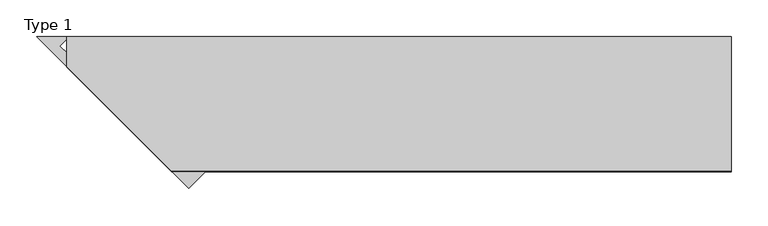
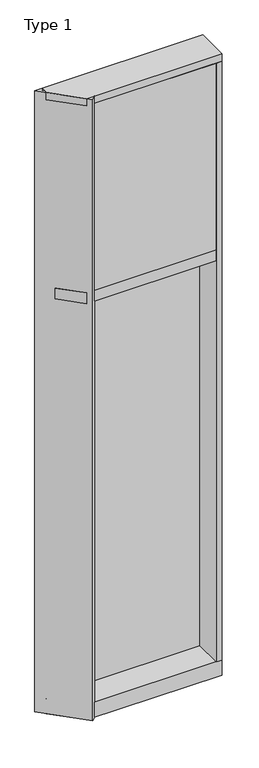
"""IFC4 building model written with IfcOpenShell, lengths in millimetres: plate geometry, Type 1."""

from ifc_helpers import new_model, si_unit, frame, origin, place, context, project, spatial, polyline, outline, extrude, faceted_brep, source, transform, mapped, element, save


def type_1_caab74bc(model_context):
    return source(origin(), model_context, "Body", "SolidModel", [
        extrude(outline(polyline([(418.9070941, -48.6409999), (418.9070941, -156.32684), (-262.5791649, -156.32684), (-370.265005, -48.6409999), (418.9070941, -48.6409999)])), frame((0.0, 0.0, 2470.15), z_axis=(0.0, 0.0, 1.0), x_axis=(1.0, 0.0, 0.0)), (0.0, 0.0, 1.0), 1104.9984372),
        extrude(outline(polyline([(450.6560049, 27.6881517), (450.6560049, 11.2982336), (437.9570941, 11.2982336), (437.9570941, 27.6881517), (450.6560049, 27.6881517)])), frame((0.0, 0.0, 2444.75), z_axis=(0.0, 0.0, 1.0), x_axis=(1.0, 0.0, 0.0)), (0.0, 0.0, 1.0), 1149.35),
        extrude(outline(polyline([(-437.9570941, 27.6881517), (-437.9570941, 11.2982336), (-450.6560049, 11.2982336), (-450.6560049, 27.6881517), (-437.9570941, 27.6881517)])), frame((0.0, 0.0, 2444.75), z_axis=(0.0, 0.0, 1.0), x_axis=(1.0, 0.0, 0.0)), (0.0, 0.0, 1.0), 1149.35),
        extrude(outline(polyline([(437.9570941, 27.686), (437.9570941, 2.286), (-437.9570941, 2.286), (-437.9570941, 27.686), (437.9570941, 27.686)])), frame((0.0, 0.0, 2444.75), z_axis=(0.0, 0.0, 1.0), x_axis=(1.0, 0.0, 0.0)), (0.0, 0.0, 1.0), 1149.35),
        extrude(outline(polyline([(450.6560049, 27.6881517), (450.6560049, 11.2982336), (437.9570941, 11.2982336), (437.9570941, 27.6881517), (450.6560049, 27.6881517)])), frame((0.0, 0.0, 6.35), z_axis=(0.0, 0.0, 1.0), x_axis=(1.0, 0.0, 0.0)), (0.0, 0.0, 1.0), 2425.7),
        extrude(outline(polyline([(-437.9570941, 27.6881517), (-437.9570941, 11.2982336), (-450.6560049, 11.2982336), (-450.6560049, 27.6881517), (-437.9570941, 27.6881517)])), frame((0.0, 0.0, 6.35), z_axis=(0.0, 0.0, 1.0), x_axis=(1.0, 0.0, 0.0)), (0.0, 0.0, 1.0), 2425.7),
        extrude(outline(polyline([(437.9570941, 27.686), (437.9570941, 2.286), (-437.9570941, 2.286), (-437.9570941, 27.686), (437.9570941, 27.686)])), frame((0.0, 0.0, 6.35), z_axis=(0.0, 0.0, 1.0), x_axis=(1.0, 0.0, 0.0)), (0.0, 0.0, 1.0), 2425.7),
        extrude(outline(polyline([(450.6560049, 27.686), (450.6560049, 6.35), (-450.6560049, 6.35), (-450.6560049, 27.686), (450.6560049, 27.686)])), frame((0.0, 0.0, 2432.05), z_axis=(0.0, 0.0, 1.0), x_axis=(1.0, 0.0, 0.0)), (0.0, 0.0, 1.0), 12.7),
        extrude(outline(polyline([(450.6560049, -155.9814), (418.9060049, -155.9814), (418.9060049, 2.286), (450.6560049, 2.286), (450.6560049, -155.9814)])), frame((0.0, 0.0, 31.75), z_axis=(0.0, 0.0, 1.0), x_axis=(1.0, 0.0, 0.0)), (0.0, 0.0, 1.0), 3543.3),
        extrude(outline(polyline([(418.9060049, 2.2859999), (418.9060049, -155.4734), (-308.3349747, -155.4734), (-418.9060049, -44.9023698), (-418.9060049, 2.2859999), (418.9060049, 2.2859999)])), frame((0.0, 0.0, 2406.65), z_axis=(0.0, 0.0, 1.0), x_axis=(1.0, 0.0, 0.0)), (0.0, 0.0, 1.0), 63.5),
        faceted_brep([(-450.6560049, 27.686, 3619.5), (-450.6560049, 27.686, 3601.4527933), (-450.6560049, 2.286, 3601.4527933), (-450.6560049, 2.286, 3575.6866239), (-450.6560049, -13.1523698, 3575.6866239), (-450.6560049, -13.1523698, 3619.5), (450.6560049, 27.686, 3619.5), (450.6560049, -155.4081413, 3619.5), (450.6560049, -155.6003929, 3575.6866239), (450.6560049, 2.286, 3575.6866239), (450.6560049, 2.286, 3601.4527933), (450.6560049, 27.686, 3601.4527933), (-308.2079818, -155.6003929, 3575.6866239), (-308.4002334, -155.4081413, 3619.5)], [[[0, 1, 2, 3, 4, 5]], [[6, 7, 8, 9, 10, 11]], [[1, 0, 6, 11]], [[2, 1, 11, 10]], [[3, 2, 10, 9]], [[9, 8, 12, 4, 3]], [[8, 7, 13, 12]], [[7, 6, 0, 5, 13]], [[5, 4, 12, 13]]]),
        extrude(outline(polyline([(-285.376578, -178.4317967), (-491.4943747, 27.686), (-450.6482499, 27.686), (-450.6482499, 24.6563669), (-460.2053853, 15.0992315), (-450.2008102, 5.0946564), (-437.9656069, 5.0946564), (-437.9656069, 2.286), (-418.9060049, 2.286), (-418.9060049, -0.0010892), (-262.9259377, -155.9811564), (-285.376578, -178.4317967)])), frame((0.0, 0.0, -57.15), z_axis=(0.0, 0.0, 1.0), x_axis=(1.0, 0.0, 0.0)), (0.0, 0.0, 1.0), 3676.65),
        faceted_brep([(-450.6560049, 2.2859999, 31.75), (-450.6560049, 2.2859999, -6.2983857), (-450.6560049, 27.6858239, -6.2983857), (-450.6560049, 27.6858239, -57.15), (-450.6560049, -13.1523698, -57.15), (-450.6560049, -13.1523698, 31.75), (450.6560049, 2.2859999, 31.75), (450.6560049, -155.6004, 31.75), (450.6560049, -155.6004, -57.15), (450.6560049, 27.6858239, -57.15), (450.6560049, 27.6858239, -6.2983857), (450.6560049, 2.2859999, -6.2983857), (-308.2079747, -155.6004, -57.15), (-308.2079747, -155.6004, 31.75)], [[[0, 1, 2, 3, 4, 5]], [[6, 7, 8, 9, 10, 11]], [[1, 0, 6, 11]], [[2, 1, 11, 10]], [[3, 2, 10, 9]], [[9, 8, 12, 4, 3]], [[8, 7, 13, 12]], [[7, 6, 0, 5, 13]], [[5, 4, 12, 13]]]),
        extrude(outline(polyline([(-450.6560049, 15.9510838), (-450.6560049, 27.6859999), (450.6560049, 27.6859999), (450.6560049, 15.9510838), (-450.6560049, 15.9510838)])), frame((0.0, 0.0, 3594.7366239), z_axis=(0.0, 0.0, 1.0), x_axis=(1.0, 0.0, 0.0)), (0.0, 0.0, 1.0), 6.7161694),
        extrude(outline(polyline([(-450.6560049, 5.0946564), (-450.6560049, 27.6881517), (450.6560049, 27.6881517), (450.6560049, 5.0946564), (-450.6560049, 5.0946564)])), frame((0.0, 0.0, -6.2984797), z_axis=(0.0, 0.0, 1.0), x_axis=(1.0, 0.0, 0.0)), (0.0, 0.0, 1.0), 12.6484797),
    ])


if __name__ == "__main__":
    model = new_model("IFC4")
    model_context = context("Model", 3, world=origin())
    ifc_project = project(units=[si_unit("LENGTHUNIT", "METRE", prefix="MILLI")], contexts=[model_context])
    site = spatial("IfcSite", under=ifc_project)
    building = spatial("IfcBuilding", under=site)
    placement = place(None, origin())
    type_1_shape = type_1_caab74bc(model_context)
    element("IfcPlate", 1, ObjectType="Type 1", at=placement, inside=building, context=model_context, shape_type="MappedRepresentation", body=[
        mapped(type_1_shape, transform((0.0, 0.0, 0.0), x_axis=(1.0, 0.0, 0.0), y_axis=(0.0, 1.0, 0.0), z_axis=(0.0, 0.0, 1.0))),
    ])
    save(model, "model.ifc")
